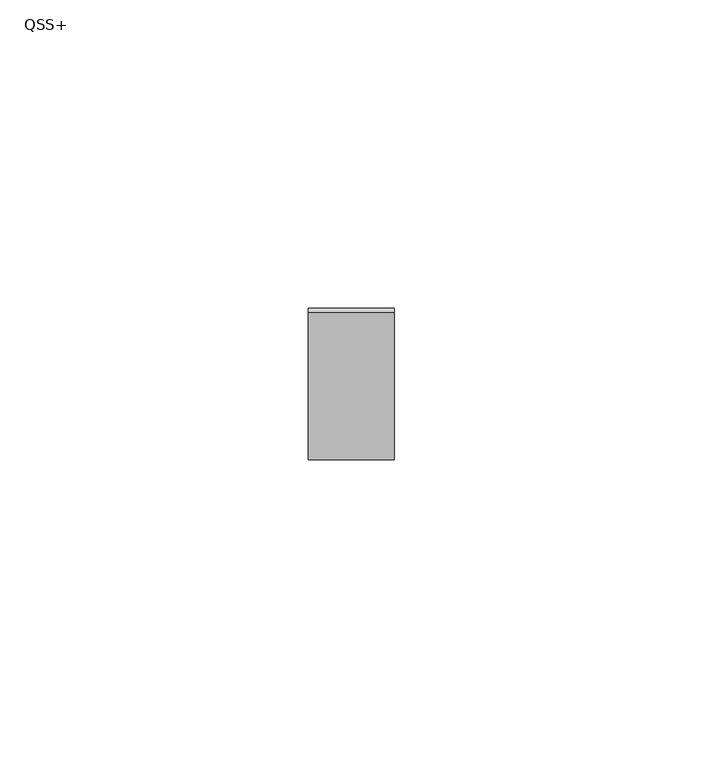
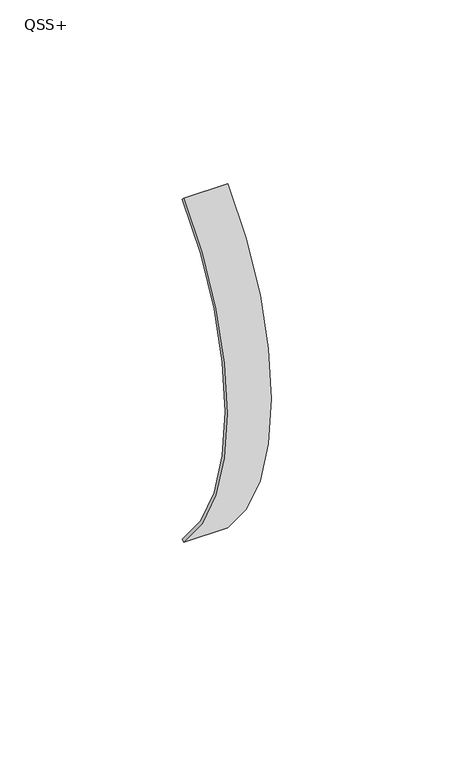
"""IFC4 building model written with IfcOpenShell, lengths in millimetres: proxy geometry, QSS+."""

from ifc_helpers import new_model, si_unit, point, frame, origin, origin_2d, place, context, project, spatial, polyline, circle_curve, trimmed, segment, composite_curve, outline, extrude, source, transform, mapped, element, save


def qss_a19b2c67(model_context):
    return source(origin(), model_context, "Body", "SweptSolid", [
        extrude(outline(composite_curve([segment(trimmed(circle_curve(origin_2d(), 81.5), [point((-57.6292027, -57.6292027))], [point((-57.6292027, 57.6292027))], False, "CARTESIAN"), True, "CONTINUOUS"), segment(polyline([(-57.6292027, 57.6292027), (-56.9220959, 56.9220959)]), True, "CONTINUOUS"), segment(trimmed(circle_curve(origin_2d(), 80.5), [point((-56.9220959, 56.9220959))], [point((-56.9220959, -56.9220959))], True, "CARTESIAN"), True, "CONTINUOUS"), segment(polyline([(-56.9220959, -56.9220959), (-57.6292027, -57.6292027)]), True, "CONTINUOUS")], self_intersect=False)), frame((-7.0, 0.0, 0.0), z_axis=(1.0, 0.0, 0.0), x_axis=(0.0, 1.0, 0.0)), (0.0, 0.0, 1.0), 14.0),
    ])


if __name__ == "__main__":
    model = new_model("IFC4")
    model_context = context("Model", 3, world=origin())
    ifc_project = project(units=[si_unit("LENGTHUNIT", "METRE", prefix="MILLI")], contexts=[model_context])
    site = spatial("IfcSite", under=ifc_project)
    building = spatial("IfcBuilding", under=site)
    placement = place(None, origin())
    qss_shape = qss_a19b2c67(model_context)
    element("IfcBuildingElementProxy", 1, Name="QSS+", ObjectType="QSS+", at=placement, inside=building, context=model_context, shape_type="MappedRepresentation", body=[
        mapped(qss_shape, transform((0.0, 0.0, 0.0), x_axis=(1.0, 0.0, 0.0), y_axis=(0.0, 1.0, 0.0), z_axis=(0.0, 0.0, 1.0))),
    ])
    save(model, "model.ifc")
